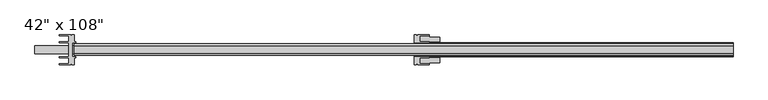
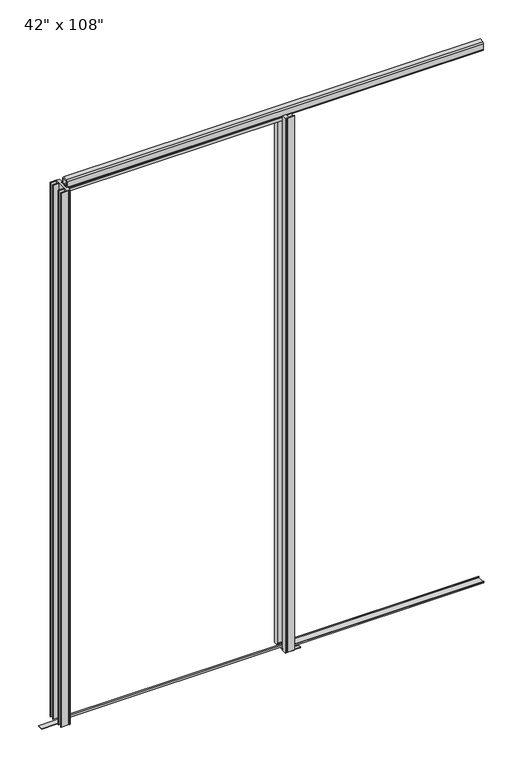
"""IFC4 building model written with IfcOpenShell, lengths in millimetres: furniture geometry."""

from ifc_helpers import new_model, si_unit, point, frame, frame_2d, origin, origin_with_axes, place, context, project, spatial, polyline, circle_curve, trimmed, segment, composite_curve, outline, extrude, source, transform, mapped, element, save


def furniture_d6e4236d(model_context):
    return source(origin(), model_context, "Body", "SweptSolid", [
        extrude(outline(composite_curve([segment(polyline([(15.875, 450.9479771), (15.875, -609.5020229), (14.2875, -609.5020229)]), True, "CONTINUOUS"), segment(trimmed(circle_curve(frame_2d((14.2875, -603.1520229)), 6.35), [point((14.2875, -609.5020229))], [point((7.9375, -603.1520229))], False, "CARTESIAN"), True, "CONTINUOUS"), segment(polyline([(7.9375, -603.1520229), (7.9375, 444.5979771)]), True, "CONTINUOUS"), segment(trimmed(circle_curve(frame_2d((14.2875, 444.5979771)), 6.35), [point((7.9375, 444.5979771))], [point((14.2875, 450.9479771))], False, "CARTESIAN"), True, "CONTINUOUS"), segment(polyline([(14.2875, 450.9479771), (15.875, 450.9479771)]), True, "CONTINUOUS")], self_intersect=False)), frame((0.0, -9.5977216, 0.0), z_axis=(0.0, 1.0, 0.0), x_axis=(0.0, 0.0, 1.0)), (0.0, 0.0, 1.0), 10.16),
        extrude(outline(polyline([(450.9479771, -20.0102), (450.9479771, -21.5977), (-609.5020229, -21.5977), (-609.5020229, -20.0102), (450.9479771, -20.0102)])), frame((0.0, 0.0, 2654.3), z_axis=(0.0, 0.0, 1.0), x_axis=(1.0, 0.0, 0.0)), (0.0, 0.0, 1.0), 13.8346545),
        extrude(outline(polyline([(450.9479771, -7.6077525), (450.9479771, -9.1952525), (-609.5020229, -9.1952525), (-609.5020229, -7.6077525), (450.9479771, -7.6077525)])), frame((0.0, 0.0, 2654.3), z_axis=(0.0, 0.0, 1.0), x_axis=(1.0, 0.0, 0.0)), (0.0, 0.0, 1.0), 13.8346545),
        extrude(outline(polyline([(-25.2677632, 6.2500008), (-25.2677632, 12.6000008), (-23.6802632, 12.6000008), (-23.6802632, 7.8375008), (14.64482, 7.8375008), (14.64482, 12.6000008), (16.23232, 12.6000008), (16.23232, 6.2500008), (-25.2677632, 6.2500008)])), frame((409.6729771, 0.0, 0.0), z_axis=(1.0, 0.0, 0.0), x_axis=(0.0, 1.0, 0.0)), (0.0, 0.0, 1.0), 955.675),
        extrude(outline(polyline([(2.4974262, 2670.225733), (2.4974262, 2675.1478891), (8.8474262, 2675.1478891), (8.8474262, 2703.1964345), (-17.8828695, 2703.1964345), (-17.8828695, 2675.1478891), (-11.5328695, 2675.1478891), (-11.5328695, 2670.225733), (-20.1544981, 2670.225733), (-21.7636166, 2677.4482324), (-21.7636166, 2704.9372418), (-15.2508585, 2711.45), (6.2154152, 2711.45), (12.7281734, 2704.9372418), (12.7281734, 2677.4482324), (11.1190549, 2670.225733), (2.4974262, 2670.225733)])), frame((-609.5020229, 0.0, 0.0), z_axis=(1.0, 0.0, 0.0), x_axis=(0.0, 1.0, 0.0)), (0.0, 0.0, 1.0), 1974.85),
        extrude(outline(polyline([(-726.8182729, 7.3885284), (-610.1370229, 7.3885284), (-610.1370229, -16.4239716), (-726.8182729, -16.4239716), (-726.8182729, 7.3885284)])), origin_with_axes(), (0.0, 0.0, 1.0), 3.2003621),
        extrude(outline(polyline([(485.8729771, 33.4322875), (485.8729771, 19.43227), (454.1229771, 19.43227), (454.1229771, -28.4677132), (485.8729771, -28.4677132), (485.8729771, -42.4677308), (454.1229771, -42.4677308), (454.1229771, -44.9677235), (423.1229434, -44.9677235), (423.1229434, -42.4677308), (420.0229509, -42.4677308), (420.0229509, -32.9660865), (423.1229434, -32.9660865), (423.1229434, -26.46769), (447.7729286, -26.46769), (447.7729286, 17.4322467), (423.1229434, 17.4322467), (423.1229434, 23.9306433), (420.0229509, 23.9306433), (420.0229509, 33.4322875), (423.1229434, 33.4322875), (423.1229434, 35.9322803), (454.1229771, 35.9322803), (454.1229771, 33.4322875), (485.8729771, 33.4322875)])), origin_with_axes(), (0.0, 0.0, 1.0), 3.2003621),
        extrude(outline(polyline([(-609.5020229, 39.9322784), (-609.5020229, 19.7322791), (-604.7395229, 19.7322791), (-604.7395229, 16.432279), (-614.8803061, 16.432279), (-614.8803061, -25.4677223), (-604.7395229, -25.4677223), (-604.7395229, -28.7677224), (-609.5020229, -28.7677224), (-609.5020229, -48.9677216), (-615.8520229, -48.9677216), (-615.8520229, -46.4551566), (-619.8516276, -46.4551566), (-619.8516276, -48.9677216), (-653.9520229, -48.9677216), (-653.9520229, -46.167723), (-626.1196047, -46.167723), (-626.1196047, -28.7677224), (-653.9520229, -28.7677224), (-653.9520229, -25.4677223), (-626.1196047, -25.4677223), (-626.1196047, 16.432279), (-653.9520229, 16.432279), (-653.9520229, 19.7322791), (-626.1196047, 19.7322791), (-626.1196047, 37.1322797), (-653.9520229, 37.1322797), (-653.9520229, 39.9322784), (-619.8516276, 39.9322784), (-619.8516276, 37.4197133), (-615.8520229, 37.4197133), (-615.8520229, 39.9322784), (-609.5020229, 39.9322784)])), frame((0.0, 0.0, 3.2003621), z_axis=(0.0, 0.0, 1.0), x_axis=(1.0, 0.0, 0.0)), (0.0, 0.0, 1.0), 2676.4996379),
        extrude(outline(polyline([(409.6729771, 39.9322784), (416.0229771, 39.9322784), (416.0229771, 37.4197133), (420.0225817, 37.4197133), (420.0225817, 39.9322784), (454.1229771, 39.9322784), (454.1229771, 37.1322797), (426.2905588, 37.1322797), (426.2905588, 19.7322791), (454.1229771, 19.7322791), (454.1229771, 16.432279), (409.6729771, 16.432279), (409.6729771, 39.9322784)])), frame((0.0, 0.0, 3.2003621), z_axis=(0.0, 0.0, 1.0), x_axis=(1.0, 0.0, 0.0)), (0.0, 0.0, 1.0), 2676.4996379),
        extrude(outline(polyline([(409.6729771, -48.9677216), (409.6729771, -25.4677223), (454.1229771, -25.4677223), (454.1229771, -28.7677224), (426.2905588, -28.7677224), (426.2905588, -46.167723), (454.1229771, -46.167723), (454.1229771, -48.9677216), (420.0225817, -48.9677216), (420.0225817, -46.4551566), (416.0229771, -46.4551566), (416.0229771, -48.9677216), (409.6729771, -48.9677216)])), frame((0.0, 0.0, 3.2003621), z_axis=(0.0, 0.0, 1.0), x_axis=(1.0, 0.0, 0.0)), (0.0, 0.0, 1.0), 2676.4996379),
    ])


if __name__ == "__main__":
    model = new_model("IFC4")
    model_context = context("Model", 3, world=origin())
    ifc_project = project(units=[si_unit("LENGTHUNIT", "METRE", prefix="MILLI")], contexts=[model_context])
    site = spatial("IfcSite", under=ifc_project)
    building = spatial("IfcBuilding", under=site)
    placement = place(None, origin())
    furniture_shape = furniture_d6e4236d(model_context)
    element("IfcFurniture", 1, ObjectType="42\" x 108\"", at=placement, inside=building, context=model_context, shape_type="MappedRepresentation", body=[
        mapped(furniture_shape, transform((0.0, 0.0, 0.0), x_axis=(1.0, 0.0, 0.0), y_axis=(0.0, 1.0, 0.0), z_axis=(0.0, 0.0, 1.0))),
    ])
    save(model, "model.ifc")
